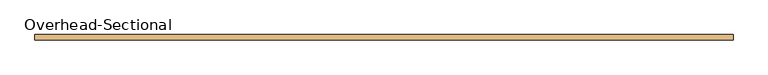
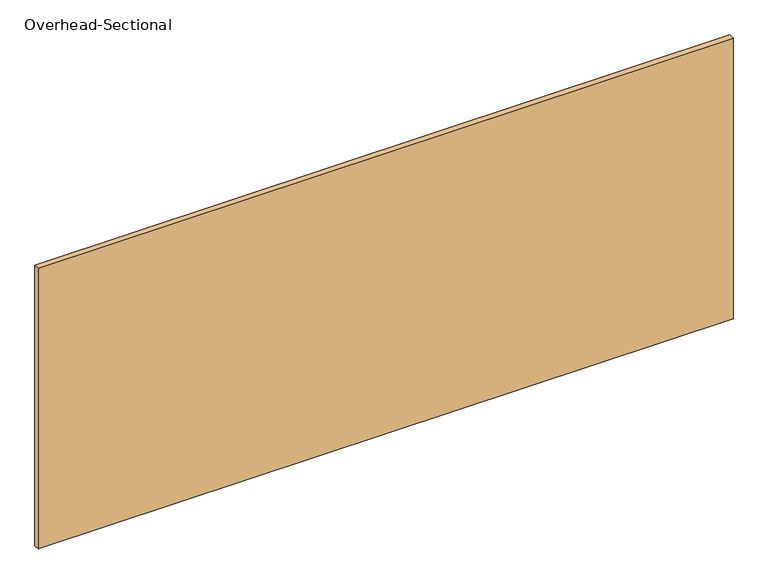
"""IFC4 building model written with IfcOpenShell, lengths in millimetres: door geometry, Overhead-Sectional."""

from ifc_helpers import new_model, si_unit, origin, origin_with_axes, place, context, project, spatial, polyline, outline, extrude, source, transform, mapped, element, save


def overhead_sectional_e486bdd9(model_context):
    return source(origin(), model_context, "Body", "SweptSolid", [
        extrude(outline(polyline([(2438.4, -69.85), (2438.4, -107.95), (-2438.4, -107.95), (-2438.4, -69.85), (2438.4, -69.85)])), origin_with_axes(), (0.0, 0.0, 1.0), 2082.8),
    ])


if __name__ == "__main__":
    model = new_model("IFC4")
    model_context = context("Model", 3, world=origin())
    ifc_project = project(units=[si_unit("LENGTHUNIT", "METRE", prefix="MILLI")], contexts=[model_context])
    site = spatial("IfcSite", under=ifc_project)
    building = spatial("IfcBuilding", under=site)
    placement = place(None, origin())
    overhead_sectional_shape = overhead_sectional_e486bdd9(model_context)
    element("IfcDoor", 1, ObjectType="Overhead-Sectional", at=placement, inside=building, context=model_context, shape_type="MappedRepresentation", body=[
        mapped(overhead_sectional_shape, transform((0.0, 0.0, 0.0), x_axis=(1.0, 0.0, 0.0), y_axis=(0.0, 1.0, 0.0), z_axis=(0.0, 0.0, 1.0))),
    ])
    save(model, "model.ifc")
